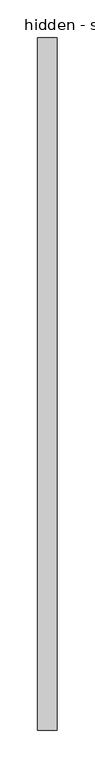
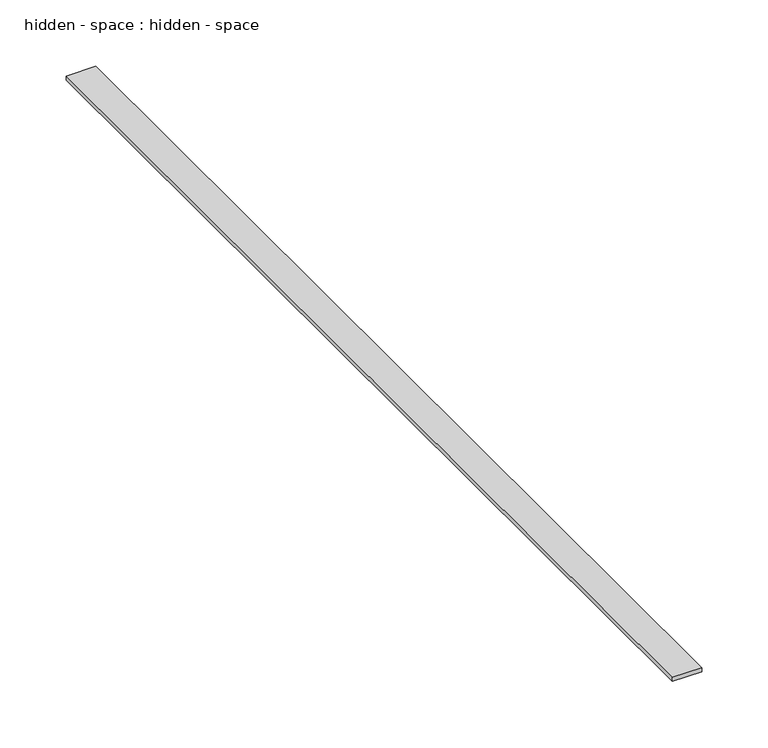
"""IFC4 building model written with IfcOpenShell, lengths in millimetres: proxy geometry, hidden - space : hidden - space."""

from ifc_helpers import new_model, si_unit, frame, origin, place, context, project, spatial, polyline, outline, extrude, source, transform, mapped, element, save


def hidden_space_hidden_space_f02b1506(model_context):
    return source(origin(), model_context, "Body", "SweptSolid", [
        extrude(outline(polyline([(37180.015625, -18662.4264268), (37205.8513666, -18662.4264268), (37205.8513666, -19576.8264268), (37180.015625, -19576.8264268), (37180.015625, -18662.4264268)])), frame((0.0, 0.0, 1320.7298123), z_axis=(0.0, 0.0, 1.0), x_axis=(1.0, 0.0, 0.0)), (0.0, 0.0, 1.0), 3.722113),
    ])


if __name__ == "__main__":
    model = new_model("IFC4")
    model_context = context("Model", 3, world=origin())
    ifc_project = project(units=[si_unit("LENGTHUNIT", "METRE", prefix="MILLI")], contexts=[model_context])
    site = spatial("IfcSite", under=ifc_project)
    building = spatial("IfcBuilding", under=site)
    placement = place(None, origin())
    hidden_space_hidden_space_shape = hidden_space_hidden_space_f02b1506(model_context)
    element("IfcBuildingElementProxy", 1, Name="hidden - space : hidden - space", ObjectType="hidden - space : hidden - space", at=placement, inside=building, context=model_context, shape_type="MappedRepresentation", body=[
        mapped(hidden_space_hidden_space_shape, transform((0.0, 0.0, 0.0), x_axis=(1.0, 0.0, 0.0), y_axis=(0.0, 1.0, 0.0), z_axis=(0.0, 0.0, 1.0))),
    ])
    save(model, "model.ifc")
